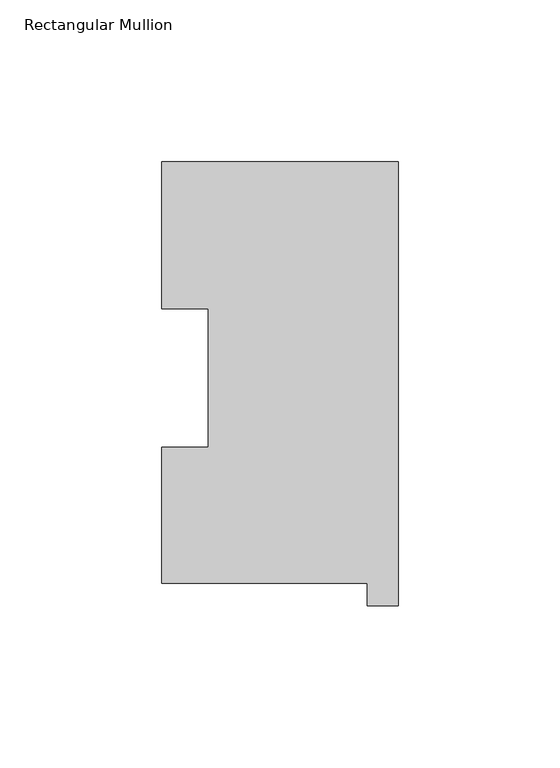
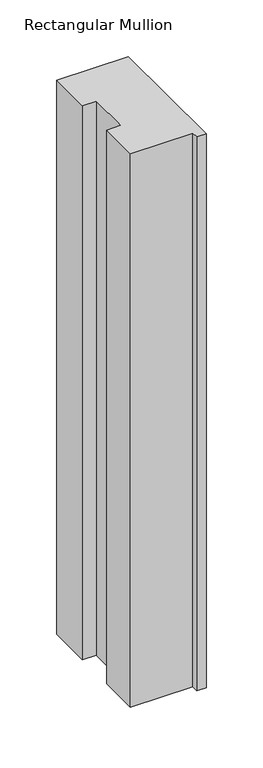
"""IFC4 building model written with IfcOpenShell, lengths in millimetres: member geometry, Rectangular Mullion."""

from ifc_helpers import new_model, si_unit, frame, origin, place, context, project, spatial, polyline, outline, extrude, source, transform, mapped, element, save


def rectangular_mullion_e94dc05d(model_context):
    return source(origin(), model_context, "Body", "SweptSolid", [
        extrude(outline(polyline([(-9.525, 0.04445), (-73.025, 0.04445), (-73.025, 42.08145), (-58.7502, 42.08145), (-58.7502, 84.93125), (-73.025, 84.93125), (-73.025, 130.34645), (0.0, 130.34645), (0.0, -6.86435), (-9.525, -6.86435), (-9.525, 0.04445)])), frame((0.0, 0.0, -596.6903637), z_axis=(0.0, 0.0, 1.0), x_axis=(1.0, 0.0, 0.0)), (0.0, 0.0, 1.0), 596.6903637),
    ])


if __name__ == "__main__":
    model = new_model("IFC4")
    model_context = context("Model", 3, world=origin())
    ifc_project = project(units=[si_unit("LENGTHUNIT", "METRE", prefix="MILLI")], contexts=[model_context])
    site = spatial("IfcSite", under=ifc_project)
    building = spatial("IfcBuilding", under=site)
    placement = place(None, origin())
    rectangular_mullion_shape = rectangular_mullion_e94dc05d(model_context)
    element("IfcMember", 1, ObjectType="Rectangular Mullion", at=placement, inside=building, context=model_context, shape_type="MappedRepresentation", body=[
        mapped(rectangular_mullion_shape, transform((0.0, 0.0, 0.0), x_axis=(1.0, 0.0, 0.0), y_axis=(0.0, 1.0, 0.0), z_axis=(0.0, 0.0, 1.0))),
    ])
    save(model, "model.ifc")
